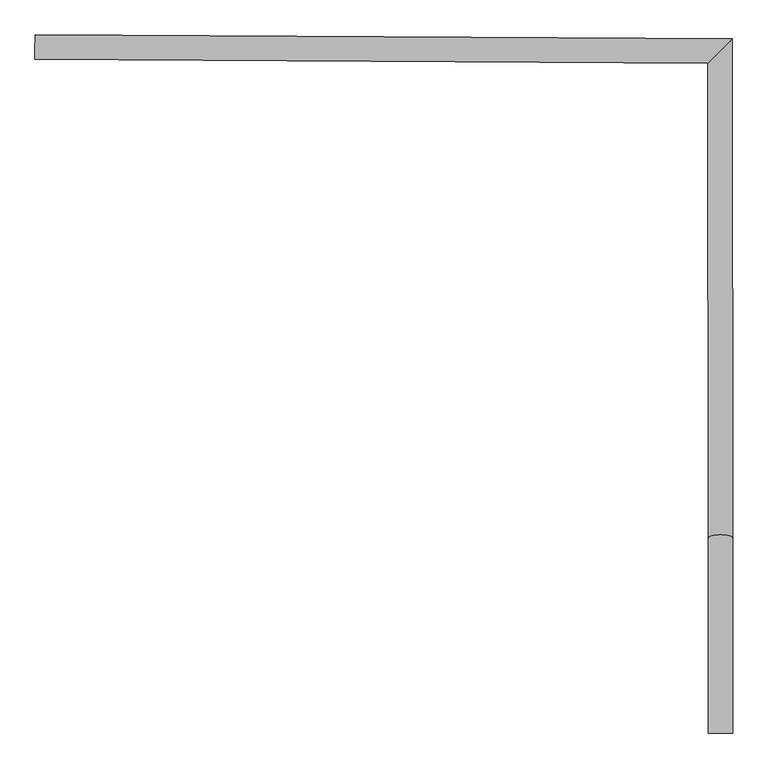
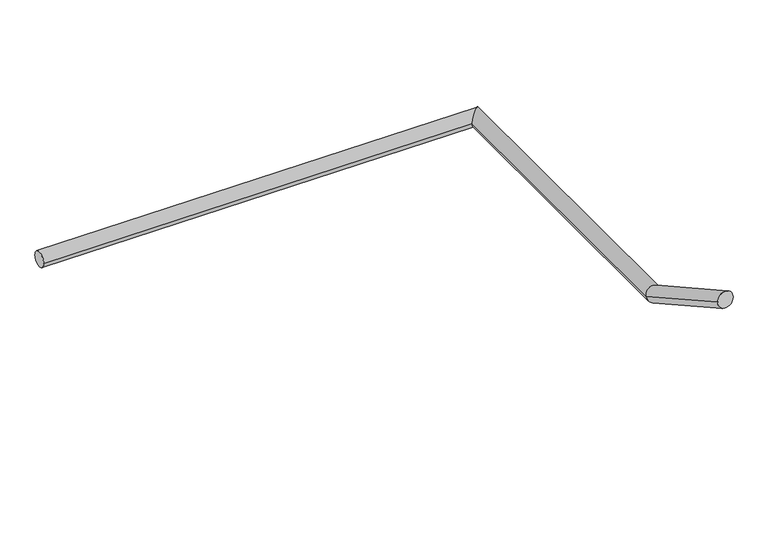
"""IFC4 building model written with IfcOpenShell, lengths in millimetres: railing geometry."""

from ifc_helpers import new_model, si_unit, frame, origin, place, context, project, spatial, circle_curve, ellipse_curve, source, transform, mapped, element, save
from ifc_brep_helpers import plane_surface, cylinder_surface, advanced_brep


def railing_b6ce0783(model_context):
    return source(origin(), model_context, "Body", "AdvancedBrep", [
        advanced_brep(
        [(-54154.788736, -12378.7363527, -2608.4166667), (-54154.5711632, -12338.7369445, -2608.4166667), (-53053.1552522, -12384.7285796, -2608.4166667), (-53013.1813385, -12344.945422, -2608.4166667), (-53052.4358722, -13481.4604117, -2430.3690417), (-53012.4358808, -13481.4341745, -2430.3690417), (-53012.6451554, -13162.3842431, -2608.4166667), (-53052.6451468, -13162.4104803, -2608.4166667)],
        [
            (0, 1, circle_curve(frame((-54154.6799496, -12358.7366486, -2608.4166667), z_axis=(-0.9999852067838855, 0.005439321041255632, 0.0), x_axis=(0.005439321041255632, 0.9999852067838855, 0.0)), 20.0)),
            (1, 0, circle_curve(frame((-54154.6799496, -12358.7366486, -2608.4166667), z_axis=(-0.9999852067838855, 0.005439321041255632, 0.0), x_axis=(0.005439321041255632, 0.9999852067838855, 0.0)), 20.0)),
            (0, 2),
            (2, 3, ellipse_curve(frame((-53033.1682953, -12364.8370008, -2608.4166667), z_axis=(-0.7054135669552022, 0.7087959505778361, 0.0), x_axis=(-0.7087959505778363, -0.7054135669552021, 0.0)), 28.1984636, 20.0)),
            (3, 1),
            (3, 2, ellipse_curve(frame((-53033.1682953, -12364.8370008, -2608.4166667), z_axis=(-0.7054135669552022, 0.7087959505778361, 0.0), x_axis=(-0.7087959505778363, -0.7054135669552021, 0.0)), 28.1984636, 20.0)),
            (4, 5, ellipse_curve(frame((-53032.4358765, -13481.4472931, -2430.3690417), z_axis=(0.0006559304633828712, -0.9999997848775906, 0.0), x_axis=(0.0, 0.0, -1.0)), 22.9035019, 20.0)),
            (5, 4, ellipse_curve(frame((-53032.4358765, -13481.4472931, -2430.3690417), z_axis=(0.0006559304633828712, -0.9999997848775906, 0.0), x_axis=(0.0, 0.0, -1.0)), 22.9035019, 20.0)),
            (6, 7, ellipse_curve(frame((-53032.6451511, -13162.3973617, -2608.4166667), z_axis=(0.0006348019163817423, -0.9677882264366144, 0.2517648621178088), x_axis=(0.00016514024266762732, -0.2517648079575451, -0.9677884346295944)), 20.6656737, 20.0)),
            (7, 4),
            (5, 6),
            (7, 6, ellipse_curve(frame((-53032.6451511, -13162.3973617, -2608.4166667), z_axis=(0.0006348019163817423, -0.9677882264366144, 0.2517648621178088), x_axis=(0.00016514024266762732, -0.2517648079575451, -0.9677884346295944)), 20.6656737, 20.0)),
            (2, 7),
            (6, 3),
        ],
        [
            plane_surface(frame((-54154.6799496, -12358.7366486, -2608.4166667), z_axis=(-0.9999852067838855, 0.005439321041255632, 0.0), x_axis=(0.005439321041255632, 0.9999852067838855, 0.0))),
            cylinder_surface(frame((-54154.6799496, -12358.7366486, -2608.4166667), z_axis=(-0.9999852067838855, 0.005439321041255632, 0.0), x_axis=(0.005439321041255632, 0.9999852067838855, 0.0)), 20.0),
            plane_surface(frame((-53032.4358765, -13481.4472931, -2430.3690417), z_axis=(0.0006559304633828712, -0.9999997848775906, 0.0), x_axis=(0.0, 0.0, -1.0))),
            cylinder_surface(frame((-53032.6451511, -13162.3973617, -2608.4166667), z_axis=(-0.0005727774425296364, 0.8732287205544946, -0.4873102436074597), x_axis=(0.9999997848775904, 0.0006559304633824155, 0.0)), 20.0),
            cylinder_surface(frame((-53033.1682953, -12364.8370008, -2608.4166667), z_axis=(-0.0006559304633802698, 0.9999997848775906, 0.0), x_axis=(0.9999997848775906, 0.0006559304633802698, 0.0)), 20.0),
        ],
        [
            (0, [[1, 2]]),
            (1, [[-1, 3, 4, 5]]),
            (1, [[-2, -5, 6, -3]]),
            (2, [[7, 8]]),
            (3, [[9, 10, -8, 11]]),
            (3, [[12, -11, -7, -10]]),
            (4, [[-4, 13, -9, 14]]),
            (4, [[-6, -14, -12, -13]]),
        ],
    ),
    ])


if __name__ == "__main__":
    model = new_model("IFC4")
    model_context = context("Model", 3, world=origin())
    ifc_project = project(units=[si_unit("LENGTHUNIT", "METRE", prefix="MILLI")], contexts=[model_context])
    site = spatial("IfcSite", under=ifc_project)
    building = spatial("IfcBuilding", under=site)
    placement = place(None, origin())
    railing_shape = railing_b6ce0783(model_context)
    element("IfcRailing", 1, at=placement, inside=building, context=model_context, shape_type="MappedRepresentation", body=[
        mapped(railing_shape, transform((0.0, 0.0, 0.0), x_axis=(1.0, 0.0, 0.0), y_axis=(0.0, 1.0, 0.0), z_axis=(0.0, 0.0, 1.0))),
    ])
    save(model, "model.ifc")
